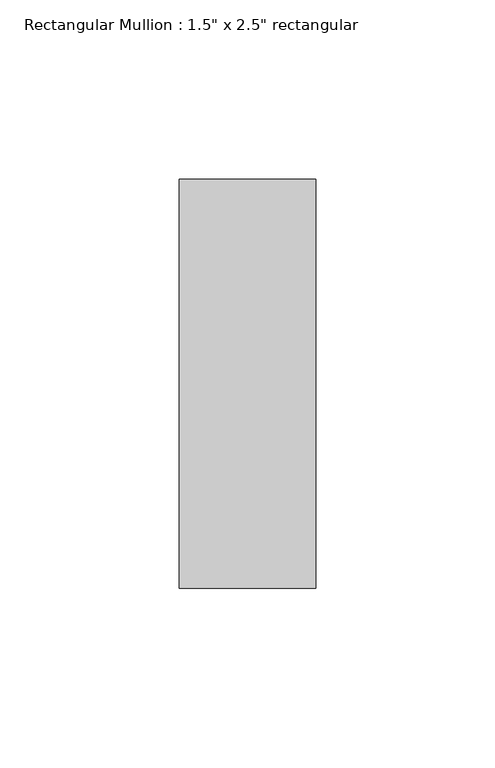
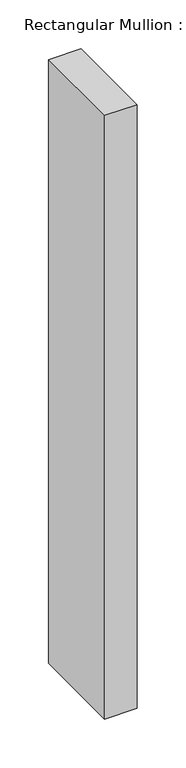
"""IFC4 building model written with IfcOpenShell, lengths in millimetres: member geometry."""

from ifc_helpers import new_model, si_unit, frame, origin, place, context, project, spatial, polyline, outline, extrude, source, transform, mapped, element, save


def member_068a56cf(model_context):
    return source(origin(), model_context, "Body", "SweptSolid", [
        extrude(outline(polyline([(19.05, 57.15), (19.05, -57.15), (-19.05, -57.15), (-19.05, 57.15), (19.05, 57.15)])), frame((0.0, 0.0, -752.475), z_axis=(0.0, 0.0, 1.0), x_axis=(1.0, 0.0, 0.0)), (0.0, 0.0, 1.0), 752.475),
    ])


if __name__ == "__main__":
    model = new_model("IFC4")
    model_context = context("Model", 3, world=origin())
    ifc_project = project(units=[si_unit("LENGTHUNIT", "METRE", prefix="MILLI")], contexts=[model_context])
    site = spatial("IfcSite", under=ifc_project)
    building = spatial("IfcBuilding", under=site)
    placement = place(None, origin())
    member_shape = member_068a56cf(model_context)
    element("IfcMember", 1, ObjectType="Rectangular Mullion : 1.5\" x 2.5\" rectangular", at=placement, inside=building, context=model_context, shape_type="MappedRepresentation", body=[
        mapped(member_shape, transform((0.0, 0.0, 0.0), x_axis=(1.0, 0.0, 0.0), y_axis=(0.0, 1.0, 0.0), z_axis=(0.0, 0.0, 1.0))),
    ])
    save(model, "model.ifc")
